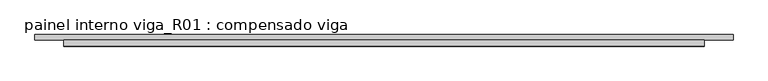
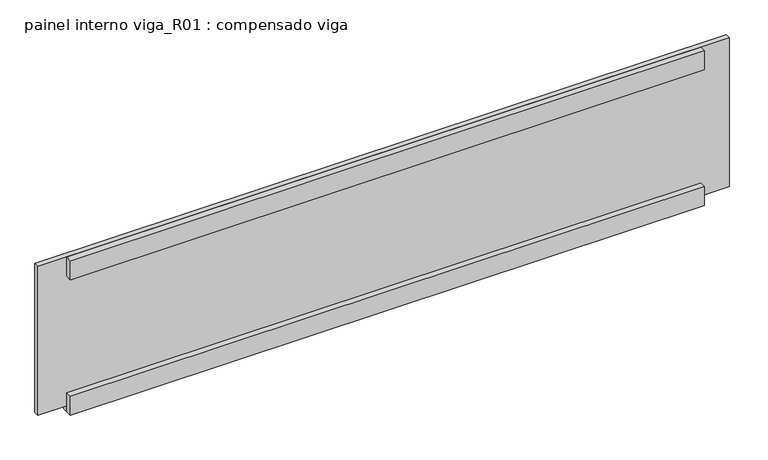
"""IFC4 building model written with IfcOpenShell, lengths in millimetres: proxy geometry, painel interno viga_R01 : compensado viga."""

from ifc_helpers import new_model, si_unit, frame, origin, place, context, project, spatial, polyline, outline, extrude, source, transform, mapped, element, save


def painel_interno_viga_r01_compensado_viga_2088bbd7(model_context):
    return source(origin(), model_context, "Body", "SweptSolid", [
        extrude(outline(polyline([(2310.0, -40.0), (100.0, -40.0), (100.0, -18.0), (2310.0, -18.0), (2310.0, -40.0)])), frame((0.0, 0.0, -688.0), z_axis=(0.0, 0.0, 1.0), x_axis=(1.0, 0.0, 0.0)), (0.0, 0.0, 1.0), 70.0),
        extrude(outline(polyline([(2310.0, -40.0), (100.0, -40.0), (100.0, -18.0), (2310.0, -18.0), (2310.0, -40.0)])), frame((0.0, 0.0, -188.0), z_axis=(0.0, 0.0, 1.0), x_axis=(1.0, 0.0, 0.0)), (0.0, 0.0, 1.0), 70.0),
        extrude(outline(polyline([(-666.0, 100.0), (-688.0, 100.0), (-688.0, 2310.0), (-666.0, 2310.0), (-666.0, 2410.0), (-118.0, 2410.0), (-118.0, 0.0), (-666.0, 0.0), (-666.0, 100.0)])), frame((0.0, -18.0, 0.0), z_axis=(0.0, 1.0, 0.0), x_axis=(0.0, 0.0, 1.0)), (0.0, 0.0, 1.0), 18.0),
    ])


if __name__ == "__main__":
    model = new_model("IFC4")
    model_context = context("Model", 3, world=origin())
    ifc_project = project(units=[si_unit("LENGTHUNIT", "METRE", prefix="MILLI")], contexts=[model_context])
    site = spatial("IfcSite", under=ifc_project)
    building = spatial("IfcBuilding", under=site)
    placement = place(None, origin())
    painel_interno_viga_r01_compensado_viga_shape = painel_interno_viga_r01_compensado_viga_2088bbd7(model_context)
    element("IfcBuildingElementProxy", 1, Name="painel interno viga_R01 : compensado viga", ObjectType="painel interno viga_R01 : compensado viga", at=placement, inside=building, context=model_context, shape_type="MappedRepresentation", body=[
        mapped(painel_interno_viga_r01_compensado_viga_shape, transform((0.0, 0.0, 0.0), x_axis=(1.0, 0.0, 0.0), y_axis=(0.0, 1.0, 0.0), z_axis=(0.0, 0.0, 1.0))),
    ])
    save(model, "model.ifc")
